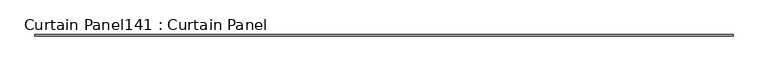
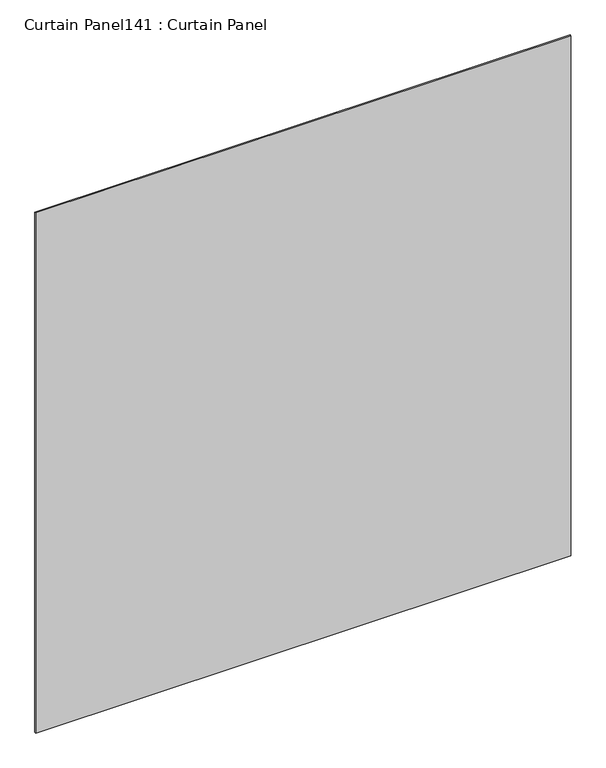
"""IFC4 building model written with IfcOpenShell, lengths in millimetres: plate geometry, Curtain Panel141 : Curtain Panel."""

from ifc_helpers import new_model, si_unit, frame, origin, place, context, project, spatial, polyline, outline, extrude, source, transform, mapped, element, save


def curtain_panel141_curtain_panel_81c2c253(model_context):
    return source(origin(), model_context, "Body", "SweptSolid", [
        extrude(outline(polyline([(341438.1943608, 2078.843529), (338473.0925793, 2078.843529), (338473.0925793, 2085.193529), (341438.1943608, 2085.193529), (341438.1943608, 2078.843529)])), frame((0.0, 0.0, 5632.7163816), z_axis=(0.0, 0.0, 1.0), x_axis=(1.0, 0.0, 0.0)), (0.0, 0.0, 1.0), 3048.0),
    ])


if __name__ == "__main__":
    model = new_model("IFC4")
    model_context = context("Model", 3, world=origin())
    ifc_project = project(units=[si_unit("LENGTHUNIT", "METRE", prefix="MILLI")], contexts=[model_context])
    site = spatial("IfcSite", under=ifc_project)
    building = spatial("IfcBuilding", under=site)
    placement = place(None, origin())
    curtain_panel141_curtain_panel_shape = curtain_panel141_curtain_panel_81c2c253(model_context)
    element("IfcPlate", 1, ObjectType="Curtain Panel141 : Curtain Panel", at=placement, inside=building, context=model_context, shape_type="MappedRepresentation", body=[
        mapped(curtain_panel141_curtain_panel_shape, transform((0.0, 0.0, 0.0), x_axis=(1.0, 0.0, 0.0), y_axis=(0.0, 1.0, 0.0), z_axis=(0.0, 0.0, 1.0))),
    ])
    save(model, "model.ifc")
